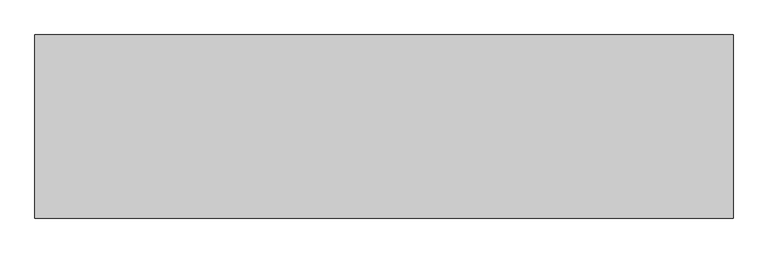
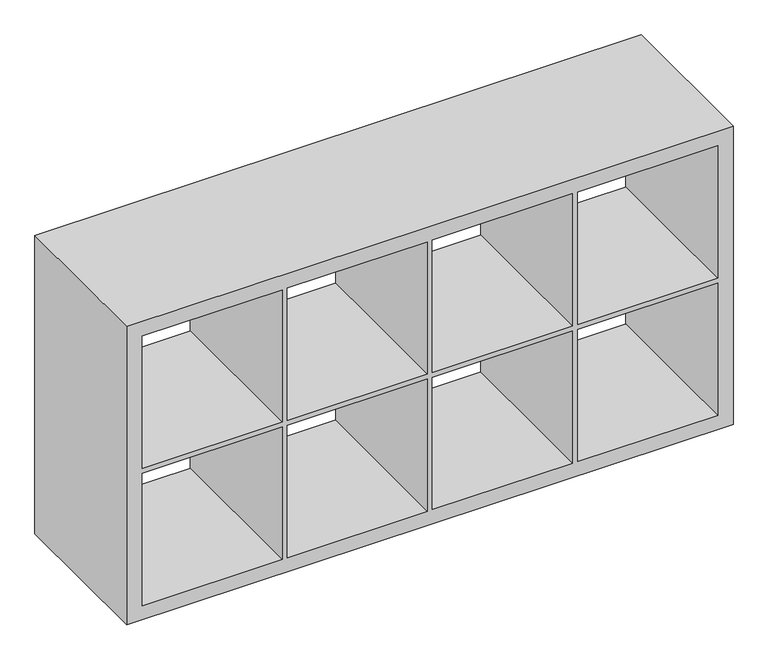
"""IFC4 building model written with IfcOpenShell, lengths in millimetres: furniture geometry."""

from ifc_helpers import new_model, si_unit, frame, origin, place, context, project, spatial, polyline, outline, extrude, source, transform, mapped, element, save


def furniture_db7e134c(model_context):
    return source(origin(), model_context, "Body", "SweptSolid", [
        extrude(outline(polyline([(0.0, 1519.2375), (774.7, 1519.2375), (774.7, 30.1625), (0.0, 30.1625), (0.0, 1519.2375)]), holes=[polyline([(736.6, 1481.1375), (392.90625, 1481.1375), (392.90625, 1137.44375), (736.6, 1137.44375), (736.6, 1481.1375)]), polyline([(736.6, 781.05), (736.6, 1124.74375), (392.90625, 1124.74375), (392.90625, 781.05), (736.6, 781.05)]), polyline([(36.5125, 1481.1375), (36.5125, 1137.44375), (380.20625, 1137.44375), (380.20625, 1481.1375), (36.5125, 1481.1375)]), polyline([(36.5125, 1124.74375), (36.5125, 781.05), (380.20625, 781.05), (380.20625, 1124.74375), (36.5125, 1124.74375)]), polyline([(392.90625, 411.95625), (392.90625, 68.2625), (736.6, 68.2625), (736.6, 411.95625), (392.90625, 411.95625)]), polyline([(392.90625, 424.65625), (736.6, 424.65625), (736.6, 768.35), (392.90625, 768.35), (392.90625, 424.65625)]), polyline([(380.20625, 411.95625), (36.5125, 411.95625), (36.5125, 68.2625), (380.20625, 68.2625), (380.20625, 411.95625)]), polyline([(380.20625, 768.35), (36.5125, 768.35), (36.5125, 424.65625), (380.20625, 424.65625), (380.20625, 768.35)])]), frame((0.0, -195.2625, 0.0), z_axis=(0.0, 1.0, 0.0), x_axis=(0.0, 0.0, 1.0)), (0.0, 0.0, 1.0), 390.525),
    ])


if __name__ == "__main__":
    model = new_model("IFC4")
    model_context = context("Model", 3, world=origin())
    ifc_project = project(units=[si_unit("LENGTHUNIT", "METRE", prefix="MILLI")], contexts=[model_context])
    site = spatial("IfcSite", under=ifc_project)
    building = spatial("IfcBuilding", under=site)
    placement = place(None, origin())
    furniture_shape = furniture_db7e134c(model_context)
    element("IfcFurniture", 1, at=placement, inside=building, context=model_context, shape_type="MappedRepresentation", body=[
        mapped(furniture_shape, transform((0.0, 0.0, 0.0), x_axis=(1.0, 0.0, 0.0), y_axis=(0.0, 1.0, 0.0), z_axis=(0.0, 0.0, 1.0))),
    ])
    save(model, "model.ifc")
